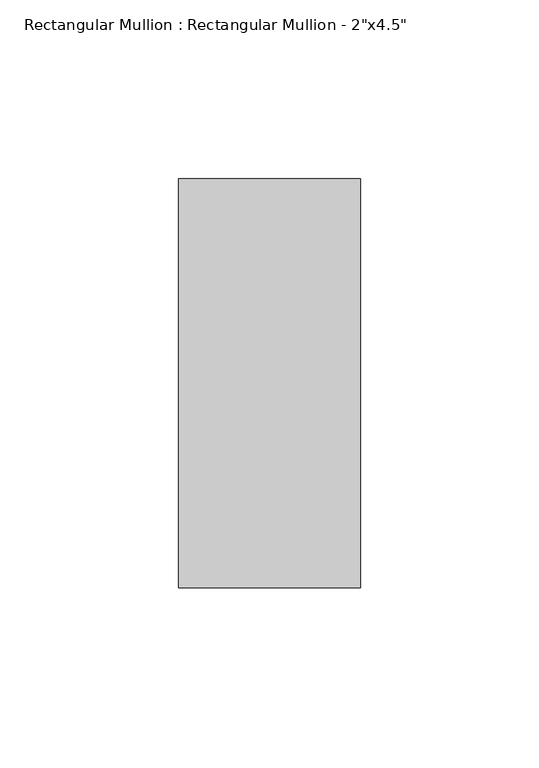
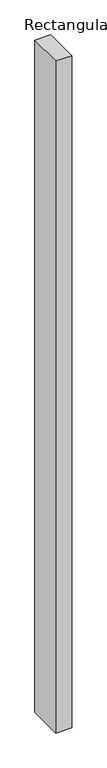
"""IFC4 building model written with IfcOpenShell, lengths in millimetres: member geometry."""

from ifc_helpers import new_model, si_unit, frame, origin, place, context, project, spatial, polyline, outline, extrude, source, transform, mapped, element, save


def member_6f806a1e(model_context):
    return source(origin(), model_context, "Body", "SweptSolid", [
        extrude(outline(polyline([(0.0, 57.15), (0.0, -57.15), (-50.8, -57.15), (-50.8, 57.15), (0.0, 57.15)])), frame((0.0, 0.0, -2263.0423077), z_axis=(0.0, 0.0, 1.0), x_axis=(1.0, 0.0, 0.0)), (0.0, 0.0, 1.0), 2263.0423077),
    ])


if __name__ == "__main__":
    model = new_model("IFC4")
    model_context = context("Model", 3, world=origin())
    ifc_project = project(units=[si_unit("LENGTHUNIT", "METRE", prefix="MILLI")], contexts=[model_context])
    site = spatial("IfcSite", under=ifc_project)
    building = spatial("IfcBuilding", under=site)
    placement = place(None, origin())
    member_shape = member_6f806a1e(model_context)
    element("IfcMember", 1, ObjectType="Rectangular Mullion : Rectangular Mullion - 2\"x4.5\"", at=placement, inside=building, context=model_context, shape_type="MappedRepresentation", body=[
        mapped(member_shape, transform((0.0, 0.0, 0.0), x_axis=(1.0, 0.0, 0.0), y_axis=(0.0, 1.0, 0.0), z_axis=(0.0, 0.0, 1.0))),
    ])
    save(model, "model.ifc")
